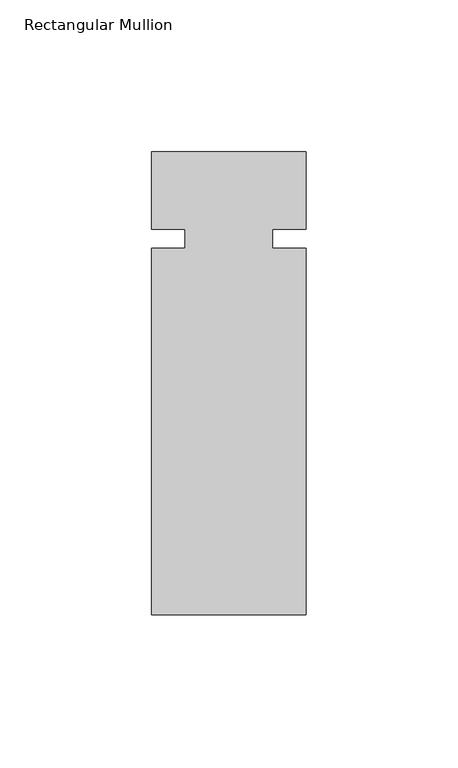
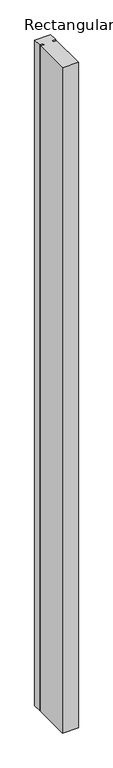
"""IFC4 building model written with IfcOpenShell, lengths in millimetres: member geometry, Rectangular Mullion."""

from ifc_helpers import new_model, si_unit, frame, origin, place, context, project, spatial, polyline, outline, extrude, source, transform, mapped, element, save


def rectangular_mullion_78b400aa(model_context):
    return source(origin(), model_context, "Body", "SweptSolid", [
        extrude(outline(polyline([(25.4, -25.4), (14.3, -25.4), (14.3, -31.75), (25.4, -31.75), (25.4, -152.4), (-25.4, -152.4), (-25.4, -31.75), (-14.4984375, -31.75), (-14.4984375, -25.4), (-25.4, -25.4), (-25.4, 0.0), (25.4, 0.0), (25.4, -25.4)])), frame((0.0, 0.0, -2235.199416), z_axis=(0.0, 0.0, 1.0), x_axis=(1.0, 0.0, 0.0)), (0.0, 0.0, 1.0), 2235.199416),
    ])


if __name__ == "__main__":
    model = new_model("IFC4")
    model_context = context("Model", 3, world=origin())
    ifc_project = project(units=[si_unit("LENGTHUNIT", "METRE", prefix="MILLI")], contexts=[model_context])
    site = spatial("IfcSite", under=ifc_project)
    building = spatial("IfcBuilding", under=site)
    placement = place(None, origin())
    rectangular_mullion_shape = rectangular_mullion_78b400aa(model_context)
    element("IfcMember", 1, ObjectType="Rectangular Mullion", at=placement, inside=building, context=model_context, shape_type="MappedRepresentation", body=[
        mapped(rectangular_mullion_shape, transform((0.0, 0.0, 0.0), x_axis=(1.0, 0.0, 0.0), y_axis=(0.0, 1.0, 0.0), z_axis=(0.0, 0.0, 1.0))),
    ])
    save(model, "model.ifc")
